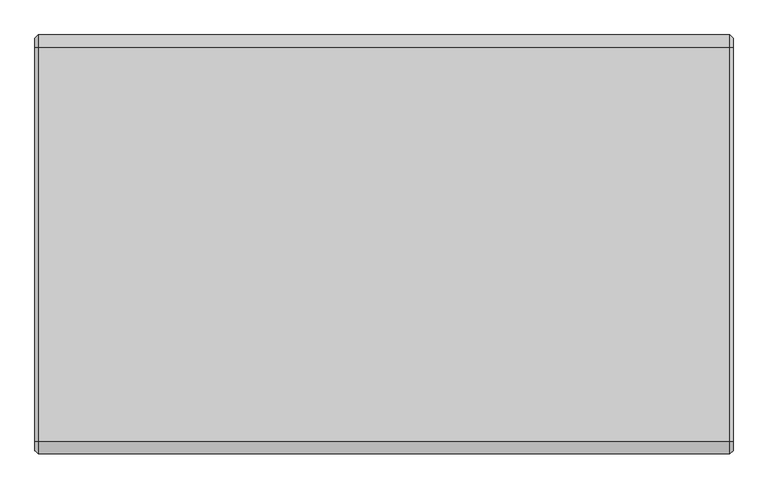
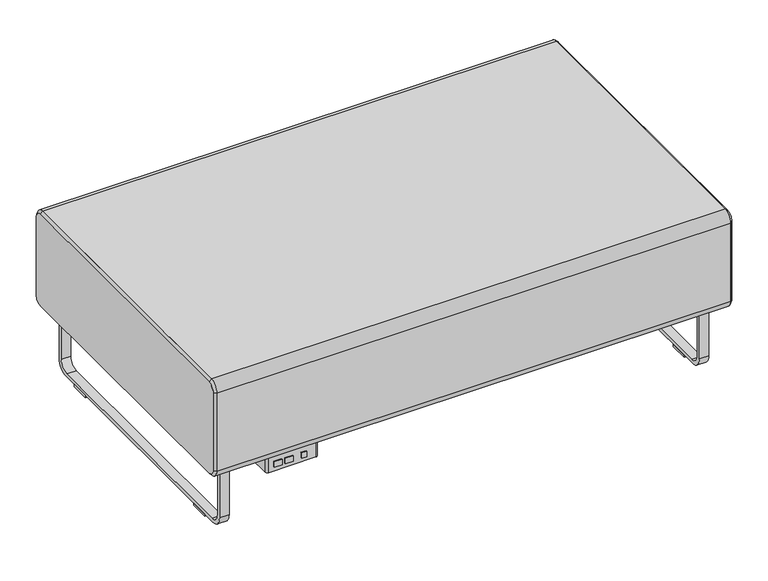
"""IFC4 building model written with IfcOpenShell, lengths in millimetres: furniture geometry."""

from ifc_helpers import new_model, si_unit, point, frame, frame_2d, origin, origin_with_axes, place, context, project, spatial, polyline, circle_curve, trimmed, segment, composite_curve, outline, extrude, source, transform, mapped, element, save
from ifc_brep_helpers import plane_surface, revolved_surface, advanced_brep


def furniture_4777ca1c(model_context):
    return source(origin(), model_context, "Body", "SolidModel", [
        extrude(outline(polyline([(-780.0135905, -367.8609794), (-793.8184165, -367.8609794), (-793.8184165, -364.6859794), (-780.0135905, -364.6859794), (-780.0135905, -367.8609794)])), frame((0.0, 0.0, 148.4693805), z_axis=(0.0, 0.0, 1.0), x_axis=(1.0, 0.0, 0.0)), (0.0, 0.0, 1.0), 15.3288336),
        extrude(outline(polyline([(-816.1260038, -367.8609794), (-837.5402709, -367.8609794), (-837.5402709, -364.6859794), (-816.1260038, -364.6859794), (-816.1260038, -367.8609794)])), frame((0.0, 0.0, 148.4693805), z_axis=(0.0, 0.0, 1.0), x_axis=(1.0, 0.0, 0.0)), (0.0, 0.0, 1.0), 15.3288336),
        extrude(outline(polyline([(-846.3520036, -367.8609794), (-867.2562055, -367.8609794), (-867.2562055, -364.6859794), (-846.3520036, -364.6859794), (-846.3520036, -367.8609794)])), frame((0.0, 0.0, 148.4693805), z_axis=(0.0, 0.0, 1.0), x_axis=(1.0, 0.0, 0.0)), (0.0, 0.0, 1.0), 15.3288336),
        extrude(outline(composite_curve([segment(trimmed(circle_curve(frame_2d((-748.5937537, -295.6297294)), 0.79375), [point((-748.5937537, -294.8359794))], [point((-747.8000037, -295.6297294))], False, "CARTESIAN"), True, "CONTINUOUS"), segment(polyline([(-747.8000037, -295.6297294), (-747.8000037, -358.3359794)]), True, "CONTINUOUS"), segment(trimmed(circle_curve(frame_2d((-754.1500037, -358.3359794)), 6.35), [point((-747.8000037, -358.3359794))], [point((-754.1500037, -364.6859794))], False, "CARTESIAN"), True, "CONTINUOUS"), segment(polyline([(-754.1500037, -364.6859794), (-881.1500037, -364.6859794)]), True, "CONTINUOUS"), segment(trimmed(circle_curve(frame_2d((-881.1500037, -358.3359794)), 6.35), [point((-881.1500037, -364.6859794))], [point((-887.5000037, -358.3359794))], False, "CARTESIAN"), True, "CONTINUOUS"), segment(polyline([(-887.5000037, -358.3359794), (-887.5000037, -295.6297294)]), True, "CONTINUOUS"), segment(trimmed(circle_curve(frame_2d((-886.7062537, -295.6297294)), 0.79375), [point((-887.5000037, -295.6297294))], [point((-886.7062537, -294.8359794))], False, "CARTESIAN"), True, "CONTINUOUS"), segment(polyline([(-886.7062537, -294.8359794), (-748.5937537, -294.8359794)]), True, "CONTINUOUS")], self_intersect=False)), frame((0.0, 0.0, 136.525), z_axis=(0.0, 0.0, 1.0), x_axis=(1.0, 0.0, 0.0)), (0.0, 0.0, 1.0), 44.45),
        extrude(outline(composite_curve([segment(trimmed(circle_curve(frame_2d((-738.2750037, -304.3609794)), 3.175), [point((-738.2750037, -301.1859794))], [point((-735.1000037, -304.3609794))], False, "CARTESIAN"), True, "CONTINUOUS"), segment(polyline([(-735.1000037, -304.3609794), (-735.1000037, -355.1609794)]), True, "CONTINUOUS"), segment(trimmed(circle_curve(frame_2d((-738.2750037, -355.1609794)), 3.175), [point((-735.1000037, -355.1609794))], [point((-738.2750037, -358.3359794))], False, "CARTESIAN"), True, "CONTINUOUS"), segment(polyline([(-738.2750037, -358.3359794), (-897.0250037, -358.3359794)]), True, "CONTINUOUS"), segment(trimmed(circle_curve(frame_2d((-897.0250037, -355.1609794)), 3.175), [point((-897.0250037, -358.3359794))], [point((-900.2000037, -355.1609794))], False, "CARTESIAN"), True, "CONTINUOUS"), segment(polyline([(-900.2000037, -355.1609794), (-900.2000037, -304.3609794)]), True, "CONTINUOUS"), segment(trimmed(circle_curve(frame_2d((-897.0250037, -304.3609794)), 3.175), [point((-900.2000037, -304.3609794))], [point((-897.0250037, -301.1859794))], False, "CARTESIAN"), True, "CONTINUOUS"), segment(polyline([(-897.0250037, -301.1859794), (-738.2750037, -301.1859794)]), True, "CONTINUOUS")], self_intersect=False)), frame((0.0, 0.0, 180.975), z_axis=(0.0, 0.0, 1.0), x_axis=(1.0, 0.0, 0.0)), (0.0, 0.0, 1.0), 3.175),
        advanced_brep(
        [(-1041.4, 422.7140206, 450.85), (-1041.4, 441.7640206, 431.8), (-1041.4, 441.7640206, 209.55), (-1041.4, 422.7140206, 190.5), (-1041.4, -364.6859794, 190.5), (-1041.4, -383.7359794, 209.55), (-1041.4, -383.7359794, 431.8), (-1041.4, -364.6859794, 450.85), (-1035.05, 422.7140206, 457.2), (-1035.05, -364.6859794, 457.2), (-1035.05, -390.0859794, 431.8), (-1035.05, -390.0859794, 209.55), (-1035.05, -364.6859794, 184.15), (-1035.05, 422.7140206, 184.15), (-1035.05, 448.1140206, 209.55), (-1035.05, 448.1140206, 431.8)],
        [
            (0, 1, circle_curve(frame((-1041.4, 422.7140206, 431.8), z_axis=(-1.0, 1.2363443602225919e-12, 0.0), x_axis=(0.0, 0.0, 1.0)), 19.05)),
            (1, 2),
            (2, 3, circle_curve(frame((-1041.4, 422.7140206, 209.55), z_axis=(-1.0, -2.2595258997169582e-12, 0.0), x_axis=(-2.2595200572946624e-12, 1.0, 0.0)), 19.05)),
            (3, 4),
            (4, 5, circle_curve(frame((-1041.4, -364.6859794, 209.55), z_axis=(-1.0, 2.1849189124624325e-12, 0.0), x_axis=(0.0, 0.0, -1.0)), 19.05)),
            (5, 6),
            (6, 7, circle_curve(frame((-1041.4, -364.6859794, 431.8), z_axis=(-1.0, 0.0, 1.6093792964966497e-12), x_axis=(0.0, -1.0, 0.0)), 19.05)),
            (7, 0),
            (8, 9),
            (9, 10, circle_curve(frame((-1035.05, -364.6859794, 431.8), z_axis=(1.0, 0.0, -1.6093792964966497e-12), x_axis=(0.0, -1.0, 0.0)), 25.4)),
            (10, 11),
            (11, 12, circle_curve(frame((-1035.05, -364.6859794, 209.55), z_axis=(1.0, -2.1849189124624325e-12, 0.0), x_axis=(0.0, 0.0, -1.0)), 25.4)),
            (12, 13),
            (13, 14, circle_curve(frame((-1035.05, 422.7140206, 209.55), z_axis=(1.0, 2.2595258997169582e-12, 0.0), x_axis=(-2.2595200572946624e-12, 1.0, 0.0)), 25.4)),
            (14, 15),
            (15, 8, circle_curve(frame((-1035.05, 422.7140206, 431.8), z_axis=(1.0, -1.2363443602225919e-12, 0.0), x_axis=(0.0, 0.0, 1.0)), 25.4)),
            (14, 2),
            (1, 15),
            (12, 4),
            (3, 13),
            (10, 6),
            (5, 11),
            (8, 0),
            (7, 9),
        ],
        [
            plane_surface(frame((-1041.4, 29.0140206, 320.675), z_axis=(-1.0, 0.0, 0.0), x_axis=(0.0, 1.0, 0.0))),
            plane_surface(frame((-1035.05, 29.0140206, 320.675), z_axis=(1.0, 0.0, 0.0), x_axis=(0.0, 1.0, 0.0))),
            plane_surface(frame((-1035.05, 448.1140206, 320.675), z_axis=(-0.7071067811862762, 0.7071067811868188, 0.0), x_axis=(0.0, 0.0, -1.0))),
            plane_surface(frame((-1035.05, 29.0140206, 184.15), z_axis=(-0.7071067811863893, 0.0, -0.7071067811867058), x_axis=(0.0, -1.0, 0.0))),
            plane_surface(frame((-1035.05, -390.0859794, 320.675), z_axis=(-0.707106781186996, -0.7071067811860992, 0.0), x_axis=(0.0, 0.0, 1.0))),
            plane_surface(frame((-1035.05, 29.0140206, 457.2), z_axis=(-0.7071067811865627, 0.0, 0.7071067811865325), x_axis=(0.0, 1.0, 0.0))),
            revolved_surface(polyline([(-1041.4000000000237, 422.7140206, 450.8499999999763), (-1035.05, 422.7140206, 457.2)]), (-1060.45, 422.7140206, 431.8), (1.0, -1.2363443602225919e-12, 0.0)),
            revolved_surface(polyline([(-1041.400000000043, 441.76402059995684, 209.55), (-1035.05, 448.1140206, 209.55)]), (-1060.45, 422.7140206, 209.55), (1.0, 2.2595258997169582e-12, 0.0)),
            revolved_surface(polyline([(-1041.4, -364.6859794, 190.5000000000001), (-1035.0499999999445, -364.6859794, 184.1499999999445)]), (-1060.45, -364.6859794, 209.55), (1.0, -2.1849189124624325e-12, 0.0)),
            revolved_surface(polyline([(-1041.4000000000308, -383.7359793999692, 431.8), (-1035.05, -390.0859794, 431.8)]), (-1060.45, -364.6859794, 431.8), (1.0, 0.0, -1.6093792964966497e-12)),
        ],
        [
            (0, [[1, 2, 3, 4, 5, 6, 7, 8]]),
            (1, [[9, 10, 11, 12, 13, 14, 15, 16]]),
            (2, [[-15, 17, -2, 18]]),
            (3, [[-13, 19, -4, 20]]),
            (4, [[-11, 21, -6, 22]]),
            (5, [[-9, 23, -8, 24]]),
            (6, [[-16, -18, -1, -23]]),
            (7, [[-14, -20, -3, -17]]),
            (8, [[-12, -22, -5, -19]]),
            (9, [[-10, -24, -7, -21]]),
        ],
    ),
        advanced_brep(
        [(355.6, 422.7140206, 450.85), (355.6, -364.6859794, 450.85), (355.6, -383.7359794, 431.8), (355.6, -383.7359794, 209.55), (355.6, -364.6859794, 190.5), (355.6, 422.7140206, 190.5), (355.6, 441.7640206, 209.55), (355.6, 441.7640206, 431.8), (349.25, 422.7140206, 457.2), (349.25, 448.1140206, 431.8), (349.25, 448.1140206, 209.55), (349.25, 422.7140206, 184.15), (349.25, -364.6859794, 184.15), (349.25, -390.0859794, 209.55), (349.25, -390.0859794, 431.8), (349.25, -364.6859794, 457.2)],
        [
            (0, 1),
            (1, 2, circle_curve(frame((355.6, -364.6859794, 431.8), z_axis=(1.0, 0.0, 1.6093792965025676e-12), x_axis=(-1.6093447701453035e-12, 0.0, 1.0)), 19.05)),
            (2, 3),
            (3, 4, circle_curve(frame((355.6, -364.6859794, 209.55), z_axis=(1.0, 2.184918912470443e-12, 0.0), x_axis=(2.1849406655033985e-12, -1.0, 0.0)), 19.05)),
            (4, 5),
            (5, 6, circle_curve(frame((355.6, 422.7140206, 209.55), z_axis=(1.0, -2.2595258997253868e-12, 0.0), x_axis=(0.0, 0.0, -1.0)), 19.05)),
            (6, 7),
            (7, 0, circle_curve(frame((355.6, 422.7140206, 431.8), z_axis=(1.0, 1.2363443602271248e-12, 0.0), x_axis=(-1.236290801964376e-12, 1.0, 0.0)), 19.05)),
            (8, 9, circle_curve(frame((349.25, 422.7140206, 431.8), z_axis=(-1.0, -1.2363443602271248e-12, 0.0), x_axis=(-1.236290801964376e-12, 1.0, 0.0)), 25.4)),
            (9, 10),
            (10, 11, circle_curve(frame((349.25, 422.7140206, 209.55), z_axis=(-1.0, 2.2595258997253868e-12, 0.0), x_axis=(0.0, 0.0, -1.0)), 25.4)),
            (11, 12),
            (12, 13, circle_curve(frame((349.25, -364.6859794, 209.55), z_axis=(-1.0, -2.184918912470443e-12, 0.0), x_axis=(2.1849406655033985e-12, -1.0, 0.0)), 25.4)),
            (13, 14),
            (14, 15, circle_curve(frame((349.25, -364.6859794, 431.8), z_axis=(-1.0, 0.0, -1.6093792965025676e-12), x_axis=(-1.6093447701453035e-12, 0.0, 1.0)), 25.4)),
            (15, 8),
            (9, 7),
            (6, 10),
            (11, 5),
            (4, 12),
            (13, 3),
            (2, 14),
            (15, 1),
            (0, 8),
        ],
        [
            plane_surface(frame((355.6, 29.0140206, 320.675), z_axis=(1.0, 0.0, 0.0), x_axis=(0.0, -1.0, 0.0))),
            plane_surface(frame((349.25, 29.0140206, 320.675), z_axis=(-1.0, 0.0, 0.0), x_axis=(0.0, -1.0, 0.0))),
            plane_surface(frame((349.25, 448.1140206, 320.675), z_axis=(0.7071067811875688, 0.7071067811855264, 0.0), x_axis=(0.0, 0.0, 1.0))),
            plane_surface(frame((349.25, 29.0140206, 184.15), z_axis=(0.7071067811876818, 0.0, -0.7071067811854133), x_axis=(0.0, 1.0, 0.0))),
            plane_surface(frame((349.25, -390.0859794, 320.675), z_axis=(0.7071067811883035, -0.7071067811847915, 0.0), x_axis=(0.0, 0.0, -1.0))),
            plane_surface(frame((349.25, 29.0140206, 457.2), z_axis=(0.7071067811878551, 0.0, 0.70710678118524), x_axis=(0.0, -1.0, 0.0))),
            revolved_surface(polyline([(355.6, 441.7640206, 431.8), (349.2499999999686, 448.1140206000314, 431.8)]), (374.65, 422.7140206, 431.8), (-1.0, -1.2363443602271248e-12, 0.0)),
            revolved_surface(polyline([(355.6, 422.7140206, 190.50000000000003), (349.2499999999426, 422.7140206, 184.14999999994262)]), (374.65, 422.7140206, 209.55), (-1.0, 2.2595258997253868e-12, 0.0)),
            revolved_surface(polyline([(355.60000000004163, -383.73597939995835, 209.55), (349.25, -390.0859794, 209.55)]), (374.65, -364.6859794, 209.55), (-1.0, -2.184918912470443e-12, 0.0)),
            revolved_surface(polyline([(355.6, -364.6859794, 450.84999999999997), (349.24999999995913, -364.6859794, 457.20000000004086)]), (374.65, -364.6859794, 431.8), (-1.0, 0.0, -1.6093792965025676e-12)),
        ],
        [
            (0, [[1, 2, 3, 4, 5, 6, 7, 8]]),
            (1, [[9, 10, 11, 12, 13, 14, 15, 16]]),
            (2, [[-10, 17, -7, 18]]),
            (3, [[-12, 19, -5, 20]]),
            (4, [[-14, 21, -3, 22]]),
            (5, [[-16, 23, -1, 24]]),
            (6, [[-9, -24, -8, -17]]),
            (7, [[-11, -18, -6, -19]]),
            (8, [[-13, -20, -4, -21]]),
            (9, [[-15, -22, -2, -23]]),
        ],
    ),
        extrude(outline(composite_curve([segment(trimmed(circle_curve(frame_2d((371.5140283, 38.1)), 31.75), [point((403.2640283, 38.1))], [point((371.5140283, 6.35))], False, "CARTESIAN"), True, "CONTINUOUS"), segment(polyline([(371.5140283, 6.35), (-313.4859554, 6.35)]), True, "CONTINUOUS"), segment(trimmed(circle_curve(frame_2d((-313.4859554, 38.1)), 31.75), [point((-313.4859554, 6.35))], [point((-345.2359554, 38.1))], False, "CARTESIAN"), True, "CONTINUOUS"), segment(polyline([(-345.2359554, 38.1), (-345.2359554, 177.8), (-335.7109554, 177.8), (-335.7109554, 41.275)]), True, "CONTINUOUS"), segment(trimmed(circle_curve(frame_2d((-310.3109554, 41.275)), 25.4), [point((-335.7109554, 41.275))], [point((-310.3109554, 15.875))], True, "CARTESIAN"), True, "CONTINUOUS"), segment(polyline([(-310.3109554, 15.875), (368.3390283, 15.875)]), True, "CONTINUOUS"), segment(trimmed(circle_curve(frame_2d((368.3390283, 41.275)), 25.4), [point((368.3390283, 15.875))], [point((393.7390283, 41.275))], True, "CARTESIAN"), True, "CONTINUOUS"), segment(polyline([(393.7390283, 41.275), (393.7390283, 177.8), (403.2640283, 177.8), (403.2640283, 38.1)]), True, "CONTINUOUS")], self_intersect=False)), frame((290.5999947, 0.0, 0.0), z_axis=(1.0, 0.0, 0.0), x_axis=(0.0, 1.0, 0.0)), (0.0, 0.0, 1.0), 25.3999758),
        extrude(outline(polyline([(255.6749825, -345.2359554), (255.6749825, -284.9110039), (315.9999704, -284.9110039), (315.9999704, -345.2359554), (255.6749825, -345.2359554)])), frame((0.0, 0.0, 177.8), z_axis=(0.0, 0.0, 1.0), x_axis=(1.0, 0.0, 0.0)), (0.0, 0.0, 1.0), 6.35),
        extrude(outline(polyline([(255.6749825, 403.2640283), (315.9999704, 403.2640283), (315.9999704, 342.9390268), (255.6749825, 342.9390268), (255.6749825, 403.2640283)])), frame((0.0, 0.0, 177.8), z_axis=(0.0, 0.0, 1.0), x_axis=(1.0, 0.0, 0.0)), (0.0, 0.0, 1.0), 6.35),
        extrude(outline(polyline([(290.5999947, -275.3109358), (290.5999947, -224.5109842), (315.9999704, -224.5109842), (315.9999704, -275.3109358), (290.5999947, -275.3109358)])), origin_with_axes(), (0.0, 0.0, 1.0), 6.35),
        extrude(outline(polyline([(290.5999947, 333.3390314), (315.9999704, 333.3390314), (315.9999704, 282.5390253), (290.5999947, 282.5390253), (290.5999947, 333.3390314)])), origin_with_axes(), (0.0, 0.0, 1.0), 6.35),
        extrude(outline(polyline([(-941.4750007, -345.2359554), (-1001.8000022, -345.2359554), (-1001.8000022, -284.9110039), (-941.4750007, -284.9110039), (-941.4750007, -345.2359554)])), frame((0.0, 0.0, 177.8), z_axis=(0.0, 0.0, 1.0), x_axis=(1.0, 0.0, 0.0)), (0.0, 0.0, 1.0), 6.35),
        extrude(outline(polyline([(-941.4750007, 403.2640283), (-941.4750007, 342.9390268), (-1001.8000022, 342.9390268), (-1001.8000022, 403.2640283), (-941.4750007, 403.2640283)])), frame((0.0, 0.0, 177.8), z_axis=(0.0, 0.0, 1.0), x_axis=(1.0, 0.0, 0.0)), (0.0, 0.0, 1.0), 6.35),
        extrude(outline(polyline([(-976.4000037, -275.3109358), (-1001.8000022, -275.3109358), (-1001.8000022, -224.5109842), (-976.4000037, -224.5109842), (-976.4000037, -275.3109358)])), origin_with_axes(), (0.0, 0.0, 1.0), 6.35),
        extrude(outline(polyline([(-976.4000037, 333.3390314), (-976.4000037, 282.5390253), (-1001.8000022, 282.5390253), (-1001.8000022, 333.3390314), (-976.4000037, 333.3390314)])), origin_with_axes(), (0.0, 0.0, 1.0), 6.35),
        extrude(outline(composite_curve([segment(trimmed(circle_curve(frame_2d((371.5140283, 38.1)), 31.75), [point((403.2640283, 38.1))], [point((371.5140283, 6.35))], False, "CARTESIAN"), True, "CONTINUOUS"), segment(polyline([(371.5140283, 6.35), (-313.4859554, 6.35)]), True, "CONTINUOUS"), segment(trimmed(circle_curve(frame_2d((-313.4859554, 38.1)), 31.75), [point((-313.4859554, 6.35))], [point((-345.2359554, 38.1))], False, "CARTESIAN"), True, "CONTINUOUS"), segment(polyline([(-345.2359554, 38.1), (-345.2359554, 177.8), (-335.7109554, 177.8), (-335.7109554, 41.275)]), True, "CONTINUOUS"), segment(trimmed(circle_curve(frame_2d((-310.3109554, 41.275)), 25.4), [point((-335.7109554, 41.275))], [point((-310.3109554, 15.875))], True, "CARTESIAN"), True, "CONTINUOUS"), segment(polyline([(-310.3109554, 15.875), (368.3390283, 15.875)]), True, "CONTINUOUS"), segment(trimmed(circle_curve(frame_2d((368.3390283, 41.275)), 25.4), [point((368.3390283, 15.875))], [point((393.7390283, 41.275))], True, "CARTESIAN"), True, "CONTINUOUS"), segment(polyline([(393.7390283, 41.275), (393.7390283, 177.8), (403.2640283, 177.8), (403.2640283, 38.1)]), True, "CONTINUOUS")], self_intersect=False)), frame((-1001.8000022, 0.0, 0.0), z_axis=(1.0, 0.0, 0.0), x_axis=(0.0, 1.0, 0.0)), (0.0, 0.0, 1.0), 25.3999985),
        extrude(outline(composite_curve([segment(polyline([(-364.6859794, 457.2), (422.7140206, 457.2)]), True, "CONTINUOUS"), segment(trimmed(circle_curve(frame_2d((422.7140206, 431.8)), 25.4), [point((422.7140206, 457.2))], [point((448.1140206, 431.8))], False, "CARTESIAN"), True, "CONTINUOUS"), segment(polyline([(448.1140206, 431.8), (448.1140206, 209.55)]), True, "CONTINUOUS"), segment(trimmed(circle_curve(frame_2d((422.7140206, 209.55)), 25.4), [point((448.1140206, 209.55))], [point((422.7140206, 184.15))], False, "CARTESIAN"), True, "CONTINUOUS"), segment(polyline([(422.7140206, 184.15), (-364.6859794, 184.15)]), True, "CONTINUOUS"), segment(trimmed(circle_curve(frame_2d((-364.6859794, 209.55)), 25.4), [point((-364.6859794, 184.15))], [point((-390.0859794, 209.55))], False, "CARTESIAN"), True, "CONTINUOUS"), segment(polyline([(-390.0859794, 209.55), (-390.0859794, 431.8)]), True, "CONTINUOUS"), segment(trimmed(circle_curve(frame_2d((-364.6859794, 431.8)), 25.4), [point((-390.0859794, 431.8))], [point((-364.6859794, 457.2))], False, "CARTESIAN"), True, "CONTINUOUS")], self_intersect=False)), frame((-1035.05, 0.0, 0.0), z_axis=(1.0, 0.0, 0.0), x_axis=(0.0, 1.0, 0.0)), (0.0, 0.0, 1.0), 1384.3),
    ])


if __name__ == "__main__":
    model = new_model("IFC4")
    model_context = context("Model", 3, world=origin())
    ifc_project = project(units=[si_unit("LENGTHUNIT", "METRE", prefix="MILLI")], contexts=[model_context])
    site = spatial("IfcSite", under=ifc_project)
    building = spatial("IfcBuilding", under=site)
    placement = place(None, origin())
    furniture_shape = furniture_4777ca1c(model_context)
    element("IfcFurniture", 1, at=placement, inside=building, context=model_context, shape_type="MappedRepresentation", body=[
        mapped(furniture_shape, transform((0.0, 0.0, 0.0), x_axis=(1.0, 0.0, 0.0), y_axis=(0.0, 1.0, 0.0), z_axis=(0.0, 0.0, 1.0))),
    ])
    save(model, "model.ifc")
